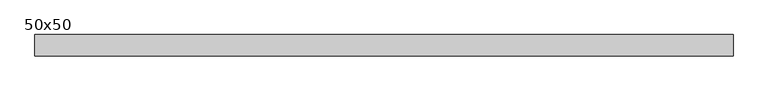
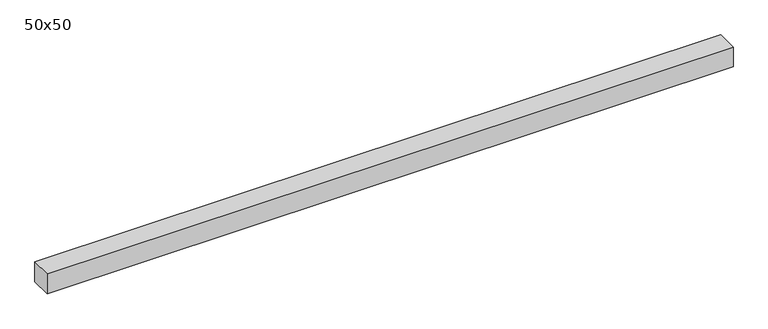
"""IFC4 building model written with IfcOpenShell, lengths in millimetres: beam geometry, 50x50."""

from ifc_helpers import new_model, si_unit, frame, origin, place, context, project, spatial, polyline, outline, extrude, source, transform, mapped, element, save


def beam_50x50_d503972a(model_context):
    return source(origin(), model_context, "Body", "SweptSolid", [
        extrude(outline(polyline([(812.5, 25.0), (812.5, -25.0), (-812.5, -25.0), (-812.5, 25.0), (812.5, 25.0)])), frame((0.0, 0.0, -25.0), z_axis=(0.0, 0.0, 1.0), x_axis=(1.0, 0.0, 0.0)), (0.0, 0.0, 1.0), 50.0),
    ])


if __name__ == "__main__":
    model = new_model("IFC4")
    model_context = context("Model", 3, world=origin())
    ifc_project = project(units=[si_unit("LENGTHUNIT", "METRE", prefix="MILLI")], contexts=[model_context])
    site = spatial("IfcSite", under=ifc_project)
    building = spatial("IfcBuilding", under=site)
    placement = place(None, origin())
    beam_50x50_shape = beam_50x50_d503972a(model_context)
    element("IfcBeam", 1, ObjectType="50x50", at=placement, inside=building, context=model_context, shape_type="MappedRepresentation", body=[
        mapped(beam_50x50_shape, transform((0.0, 0.0, 0.0), x_axis=(1.0, 0.0, 0.0), y_axis=(0.0, 1.0, 0.0), z_axis=(0.0, 0.0, 1.0))),
    ])
    save(model, "model.ifc")
